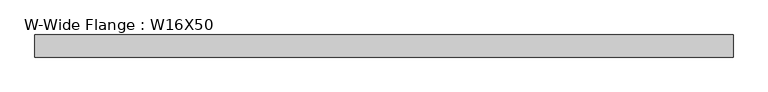
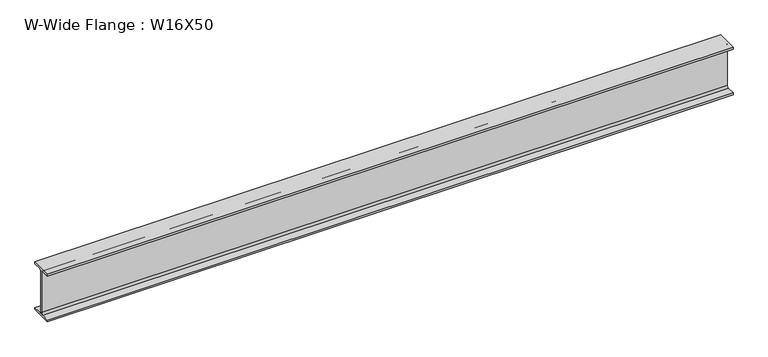
"""IFC4 building model written with IfcOpenShell, lengths in millimetres: beam geometry, W-Wide Flange : W16X50."""

from ifc_helpers import new_model, si_unit, point, frame, frame_2d, origin, place, context, project, spatial, polyline, circle_curve, trimmed, segment, composite_curve, outline, extrude, source, transform, mapped, element, save


def w_wide_flange_w16x50_dacb9a0f(model_context):
    return source(origin(), model_context, "Body", "SweptSolid", [
        extrude(outline(composite_curve([segment(polyline([(89.8, -191.0), (89.8, -207.0), (-89.8, -207.0), (-89.8, -191.0), (-22.15, -191.0)]), True, "CONTINUOUS"), segment(trimmed(circle_curve(frame_2d((-22.15, -173.7)), 17.3), [point((-22.15, -191.0))], [point((-4.85, -173.7))], True, "CARTESIAN"), True, "CONTINUOUS"), segment(polyline([(-4.85, -173.7), (-4.85, 173.7)]), True, "CONTINUOUS"), segment(trimmed(circle_curve(frame_2d((-22.15, 173.7)), 17.3), [point((-4.85, 173.7))], [point((-22.15, 191.0))], True, "CARTESIAN"), True, "CONTINUOUS"), segment(polyline([(-22.15, 191.0), (-89.8, 191.0), (-89.8, 207.0), (89.8, 207.0), (89.8, 191.0), (22.15, 191.0)]), True, "CONTINUOUS"), segment(trimmed(circle_curve(frame_2d((22.15, 173.7)), 17.3), [point((22.15, 191.0))], [point((4.85, 173.7))], True, "CARTESIAN"), True, "CONTINUOUS"), segment(polyline([(4.85, 173.7), (4.85, -173.7)]), True, "CONTINUOUS"), segment(trimmed(circle_curve(frame_2d((22.15, -173.7)), 17.3), [point((4.85, -173.7))], [point((22.15, -191.0))], True, "CARTESIAN"), True, "CONTINUOUS"), segment(polyline([(22.15, -191.0), (89.8, -191.0)]), True, "CONTINUOUS")], self_intersect=False)), frame((-2096.4677711, 0.0, 0.0), z_axis=(1.0, 0.0, 0.0), x_axis=(0.0, 1.0, 0.0)), (0.0, 0.0, 1.0), 5659.8070266),
    ])


if __name__ == "__main__":
    model = new_model("IFC4")
    model_context = context("Model", 3, world=origin())
    ifc_project = project(units=[si_unit("LENGTHUNIT", "METRE", prefix="MILLI")], contexts=[model_context])
    site = spatial("IfcSite", under=ifc_project)
    building = spatial("IfcBuilding", under=site)
    placement = place(None, origin())
    w_wide_flange_w16x50_shape = w_wide_flange_w16x50_dacb9a0f(model_context)
    element("IfcBeam", 1, ObjectType="W-Wide Flange : W16X50", at=placement, inside=building, context=model_context, shape_type="MappedRepresentation", body=[
        mapped(w_wide_flange_w16x50_shape, transform((0.0, 0.0, 0.0), x_axis=(1.0, 0.0, 0.0), y_axis=(0.0, 1.0, 0.0), z_axis=(0.0, 0.0, 1.0))),
    ])
    save(model, "model.ifc")
